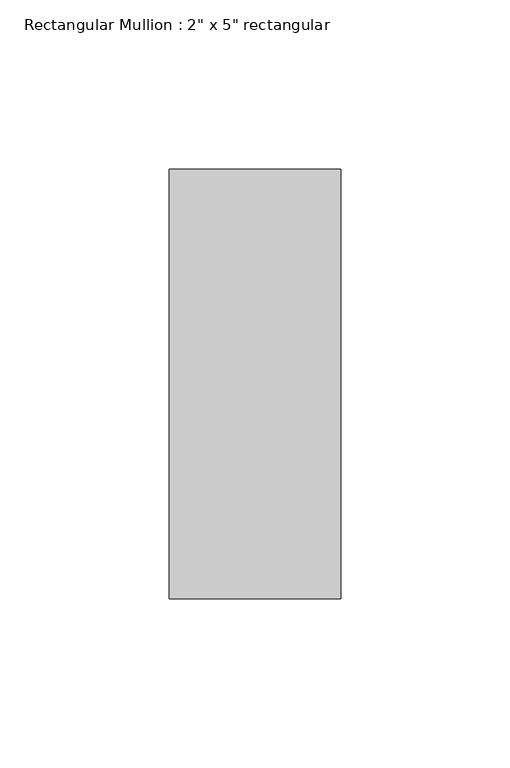
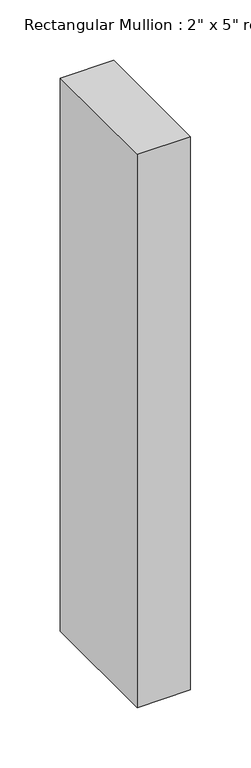
"""IFC4 building model written with IfcOpenShell, lengths in millimetres: member geometry."""

from ifc_helpers import new_model, si_unit, frame, origin, place, context, project, spatial, polyline, outline, extrude, source, transform, mapped, element, save


def member_72493094(model_context):
    return source(origin(), model_context, "Body", "SweptSolid", [
        extrude(outline(polyline([(25.4, 63.5), (25.4, -63.5), (-25.4, -63.5), (-25.4, 63.5), (25.4, 63.5)])), frame((0.0, 0.0, -558.8), z_axis=(0.0, 0.0, 1.0), x_axis=(1.0, 0.0, 0.0)), (0.0, 0.0, 1.0), 558.8),
    ])


if __name__ == "__main__":
    model = new_model("IFC4")
    model_context = context("Model", 3, world=origin())
    ifc_project = project(units=[si_unit("LENGTHUNIT", "METRE", prefix="MILLI")], contexts=[model_context])
    site = spatial("IfcSite", under=ifc_project)
    building = spatial("IfcBuilding", under=site)
    placement = place(None, origin())
    member_shape = member_72493094(model_context)
    element("IfcMember", 1, ObjectType="Rectangular Mullion : 2\" x 5\" rectangular", at=placement, inside=building, context=model_context, shape_type="MappedRepresentation", body=[
        mapped(member_shape, transform((0.0, 0.0, 0.0), x_axis=(1.0, 0.0, 0.0), y_axis=(0.0, 1.0, 0.0), z_axis=(0.0, 0.0, 1.0))),
    ])
    save(model, "model.ifc")
